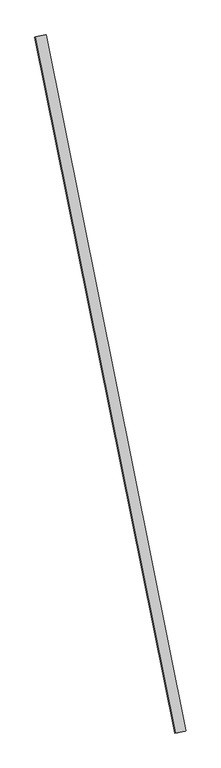
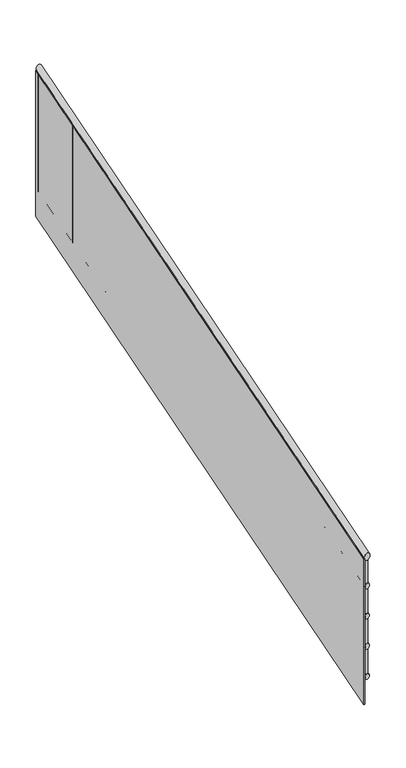
"""IFC4 building model written with IfcOpenShell, lengths in millimetres: railing geometry."""

from ifc_helpers import new_model, si_unit, frame, origin, place, context, project, spatial, ellipse_curve, faceted_brep, source, transform, mapped, element, save
from ifc_brep_helpers import plane_surface, cylinder_surface, advanced_brep


def railing_60d8dc0e(model_context):
    return source(origin(), model_context, "Body", "SolidModel", [
        advanced_brep(
        [(-68942.3278322, 19256.3704473, 1057.6911596), (-68981.5366656, 19248.4541735, 1057.6911596), (-69475.6104221, 21897.6874197, 2875.8729778), (-69514.8192554, 21889.771146, 2875.8729778)],
        [
            (0, 1, ellipse_curve(frame((-68961.9322489, 19252.4123104, 1057.6911596), z_axis=(0.19790684338259354, -0.9802208329465038, 0.0), x_axis=(0.0, 0.0, -1.0)), 24.1270222, 20.0)),
            (1, 0, ellipse_curve(frame((-68961.9322489, 19252.4123104, 1057.6911596), z_axis=(0.19790684338259354, -0.9802208329465038, 0.0), x_axis=(0.0, 0.0, -1.0)), 24.1270222, 20.0)),
            (2, 3, ellipse_curve(frame((-69495.2148387, 21893.7292829, 2875.8729778), z_axis=(-0.19790684338259354, 0.9802208329465038, 0.0), x_axis=(0.0, 0.0, -1.0)), 24.1270222, 20.0)),
            (3, 2, ellipse_curve(frame((-69495.2148387, 21893.7292829, 2875.8729778), z_axis=(-0.19790684338259354, 0.9802208329465038, 0.0), x_axis=(0.0, 0.0, -1.0)), 24.1270222, 20.0)),
            (0, 2),
            (3, 1),
        ],
        [
            plane_surface(frame((-68961.9322489, 19252.4123104, 1081.8181818), z_axis=(0.19790684338259354, -0.9802208329465038, 0.0), x_axis=(0.9802208329465038, 0.19790684338259354, 0.0))),
            plane_surface(frame((-69495.2148387, 21893.7292829, 2900.0), z_axis=(-0.19790684338259354, 0.9802208329465038, 0.0), x_axis=(0.9802208329465038, 0.19790684338259354, 0.0))),
            cylinder_surface(frame((-68964.1461479, 19263.3776204, 1065.2392606), z_axis=(0.16405409819250624, -0.8125501980124534, -0.5593285515474485), x_axis=(-0.9802208329465039, -0.19790684338259354, 0.0)), 20.0),
        ],
        [
            (0, [[1, 2]]),
            (1, [[3, 4]]),
            (2, [[-1, 5, -4, 6]]),
            (2, [[-2, -6, -3, -5]]),
        ],
    ),
        advanced_brep(
        [(-68947.2289364, 19255.3809131, 863.7229152), (-68976.6355614, 19249.4437078, 863.7229152), (-69480.5115262, 21896.6978855, 2681.9047334), (-69509.9181512, 21890.7606802, 2681.9047334)],
        [
            (0, 1, ellipse_curve(frame((-68961.9322489, 19252.4123104, 863.7229152), z_axis=(0.19790684338259354, -0.9802208329465038, 0.0), x_axis=(0.0, 0.0, -1.0)), 18.0952666, 15.0)),
            (1, 0, ellipse_curve(frame((-68961.9322489, 19252.4123104, 863.7229152), z_axis=(0.19790684338259354, -0.9802208329465038, 0.0), x_axis=(0.0, 0.0, -1.0)), 18.0952666, 15.0)),
            (2, 3, ellipse_curve(frame((-69495.2148387, 21893.7292829, 2681.9047334), z_axis=(-0.19790684338259354, 0.9802208329465038, 0.0), x_axis=(0.0, 0.0, -1.0)), 18.0952666, 15.0)),
            (3, 2, ellipse_curve(frame((-69495.2148387, 21893.7292829, 2681.9047334), z_axis=(-0.19790684338259354, 0.9802208329465038, 0.0), x_axis=(0.0, 0.0, -1.0)), 18.0952666, 15.0)),
            (0, 2),
            (3, 1),
        ],
        [
            plane_surface(frame((-68961.9322489, 19252.4123104, 881.8181818), z_axis=(0.19790684338259354, -0.9802208329465038, 0.0), x_axis=(0.9802208329465038, 0.19790684338259354, 0.0))),
            plane_surface(frame((-69495.2148387, 21893.7292829, 2700.0), z_axis=(-0.19790684338259354, 0.9802208329465038, 0.0), x_axis=(0.9802208329465038, 0.19790684338259354, 0.0))),
            cylinder_surface(frame((-68963.5926731, 19260.6362929, 869.3839909), z_axis=(0.16405409819250624, -0.8125501980124534, -0.5593285515474485), x_axis=(-0.9802208329465039, -0.19790684338259354, 0.0)), 15.0),
        ],
        [
            (0, [[1, 2]]),
            (1, [[3, 4]]),
            (2, [[-1, 5, -4, 6]]),
            (2, [[-2, -6, -3, -5]]),
        ],
    ),
        advanced_brep(
        [(-68947.2289364, 19255.3809131, 663.7229152), (-68976.6355614, 19249.4437078, 663.7229152), (-69480.5115262, 21896.6978855, 2481.9047334), (-69509.9181512, 21890.7606802, 2481.9047334)],
        [
            (0, 1, ellipse_curve(frame((-68961.9322489, 19252.4123104, 663.7229152), z_axis=(0.19790684338259354, -0.9802208329465038, 0.0), x_axis=(0.0, 0.0, -1.0)), 18.0952666, 15.0)),
            (1, 0, ellipse_curve(frame((-68961.9322489, 19252.4123104, 663.7229152), z_axis=(0.19790684338259354, -0.9802208329465038, 0.0), x_axis=(0.0, 0.0, -1.0)), 18.0952666, 15.0)),
            (2, 3, ellipse_curve(frame((-69495.2148387, 21893.7292829, 2481.9047334), z_axis=(-0.19790684338259354, 0.9802208329465038, 0.0), x_axis=(0.0, 0.0, -1.0)), 18.0952666, 15.0)),
            (3, 2, ellipse_curve(frame((-69495.2148387, 21893.7292829, 2481.9047334), z_axis=(-0.19790684338259354, 0.9802208329465038, 0.0), x_axis=(0.0, 0.0, -1.0)), 18.0952666, 15.0)),
            (0, 2),
            (3, 1),
        ],
        [
            plane_surface(frame((-68961.9322489, 19252.4123104, 681.8181818), z_axis=(0.19790684338259354, -0.9802208329465038, 0.0), x_axis=(0.9802208329465038, 0.19790684338259354, 0.0))),
            plane_surface(frame((-69495.2148387, 21893.7292829, 2500.0), z_axis=(-0.19790684338259354, 0.9802208329465038, 0.0), x_axis=(0.9802208329465038, 0.19790684338259354, 0.0))),
            cylinder_surface(frame((-68963.5926731, 19260.6362929, 669.3839909), z_axis=(0.16405409819250624, -0.8125501980124534, -0.5593285515474485), x_axis=(-0.9802208329465039, -0.19790684338259354, 0.0)), 15.0),
        ],
        [
            (0, [[1, 2]]),
            (1, [[3, 4]]),
            (2, [[-1, 5, -4, 6]]),
            (2, [[-2, -6, -3, -5]]),
        ],
    ),
        advanced_brep(
        [(-68947.2289364, 19255.3809131, 463.7229152), (-68976.6355614, 19249.4437078, 463.7229152), (-69480.5115262, 21896.6978855, 2281.9047334), (-69509.9181512, 21890.7606802, 2281.9047334)],
        [
            (0, 1, ellipse_curve(frame((-68961.9322489, 19252.4123104, 463.7229152), z_axis=(0.19790684338259354, -0.9802208329465038, 0.0), x_axis=(0.0, 0.0, -1.0)), 18.0952666, 15.0)),
            (1, 0, ellipse_curve(frame((-68961.9322489, 19252.4123104, 463.7229152), z_axis=(0.19790684338259354, -0.9802208329465038, 0.0), x_axis=(0.0, 0.0, -1.0)), 18.0952666, 15.0)),
            (2, 3, ellipse_curve(frame((-69495.2148387, 21893.7292829, 2281.9047334), z_axis=(-0.19790684338259354, 0.9802208329465038, 0.0), x_axis=(0.0, 0.0, -1.0)), 18.0952666, 15.0)),
            (3, 2, ellipse_curve(frame((-69495.2148387, 21893.7292829, 2281.9047334), z_axis=(-0.19790684338259354, 0.9802208329465038, 0.0), x_axis=(0.0, 0.0, -1.0)), 18.0952666, 15.0)),
            (0, 2),
            (3, 1),
        ],
        [
            plane_surface(frame((-68961.9322489, 19252.4123104, 481.8181818), z_axis=(0.19790684338259354, -0.9802208329465038, 0.0), x_axis=(0.9802208329465038, 0.19790684338259354, 0.0))),
            plane_surface(frame((-69495.2148387, 21893.7292829, 2300.0), z_axis=(-0.19790684338259354, 0.9802208329465038, 0.0), x_axis=(0.9802208329465038, 0.19790684338259354, 0.0))),
            cylinder_surface(frame((-68963.5926731, 19260.6362929, 469.3839909), z_axis=(0.16405409819250624, -0.8125501980124534, -0.5593285515474485), x_axis=(-0.9802208329465039, -0.19790684338259354, 0.0)), 15.0),
        ],
        [
            (0, [[1, 2]]),
            (1, [[3, 4]]),
            (2, [[-1, 5, -4, 6]]),
            (2, [[-2, -6, -3, -5]]),
        ],
    ),
        advanced_brep(
        [(-68947.2289364, 19255.3809131, 263.7229152), (-68976.6355614, 19249.4437078, 263.7229152), (-69480.5115262, 21896.6978855, 2081.9047334), (-69509.9181512, 21890.7606802, 2081.9047334)],
        [
            (0, 1, ellipse_curve(frame((-68961.9322489, 19252.4123104, 263.7229152), z_axis=(0.19790684338259354, -0.9802208329465038, 0.0), x_axis=(0.0, 0.0, -1.0)), 18.0952666, 15.0)),
            (1, 0, ellipse_curve(frame((-68961.9322489, 19252.4123104, 263.7229152), z_axis=(0.19790684338259354, -0.9802208329465038, 0.0), x_axis=(0.0, 0.0, -1.0)), 18.0952666, 15.0)),
            (2, 3, ellipse_curve(frame((-69495.2148387, 21893.7292829, 2081.9047334), z_axis=(-0.19790684338259354, 0.9802208329465038, 0.0), x_axis=(0.0, 0.0, -1.0)), 18.0952666, 15.0)),
            (3, 2, ellipse_curve(frame((-69495.2148387, 21893.7292829, 2081.9047334), z_axis=(-0.19790684338259354, 0.9802208329465038, 0.0), x_axis=(0.0, 0.0, -1.0)), 18.0952666, 15.0)),
            (0, 2),
            (3, 1),
        ],
        [
            plane_surface(frame((-68961.9322489, 19252.4123104, 281.8181818), z_axis=(0.19790684338259354, -0.9802208329465038, 0.0), x_axis=(0.9802208329465038, 0.19790684338259354, 0.0))),
            plane_surface(frame((-69495.2148387, 21893.7292829, 2100.0), z_axis=(-0.19790684338259354, 0.9802208329465038, 0.0), x_axis=(0.9802208329465038, 0.19790684338259354, 0.0))),
            cylinder_surface(frame((-68963.5926731, 19260.6362929, 269.3839909), z_axis=(0.16405409819250624, -0.8125501980124534, -0.5593285515474485), x_axis=(-0.9802208329465039, -0.19790684338259354, 0.0)), 15.0),
        ],
        [
            (0, [[1, 2]]),
            (1, [[3, 4]]),
            (2, [[-1, 5, -4, 6]]),
            (2, [[-2, -6, -3, -5]]),
        ],
    ),
        faceted_brep([(-68984.4773281, 19247.860453, 1051.8181818), (-68984.4773281, 19247.860453, 86.7372942), (-68978.5960031, 19249.0478941, 86.7372942), (-68978.5960031, 19249.0478941, 1051.8181818), (-69517.7599179, 21889.1774255, 2870.0), (-69511.8785929, 21890.3648665, 2870.0), (-69511.8785929, 21890.3648665, 1904.9191124), (-69517.7599179, 21889.1774255, 1904.9191124)], [[[0, 1, 2, 3]], [[4, 5, 6, 7]], [[1, 0, 4, 7]], [[2, 1, 7, 6]], [[3, 2, 6, 5]], [[0, 3, 5, 4]]]),
        advanced_brep(
        [(-69449.1614334, 21602.4684739, 2652.9560225), (-69424.6559126, 21607.416145, 2652.9560225), (-69424.6559126, 21607.416145, 1870.9796624), (-69449.1614334, 21602.4684739, 1870.9796624)],
        [
            (0, 1, ellipse_curve(frame((-69436.908673, 21604.9423095, 2652.9560225), z_axis=(-0.11069494805051305, 0.5482654986885991, -0.8289460606238722), x_axis=(-0.16405409819250616, 0.812550198012455, 0.559328551547446)), 15.0793889, 12.5)),
            (1, 2),
            (2, 3, ellipse_curve(frame((-69436.908673, 21604.9423095, 1870.9796624), z_axis=(0.11069494805051293, -0.5482654986885984, 0.8289460606238727), x_axis=(-0.16405409819250627, 0.8125501980124555, 0.5593285515474455)), 15.0793889, 12.5)),
            (3, 0),
            (3, 2, ellipse_curve(frame((-69436.908673, 21604.9423095, 1870.9796624), z_axis=(0.11069494805051293, -0.5482654986885984, 0.8289460606238727), x_axis=(-0.16405409819250627, 0.8125501980124555, 0.5593285515474455)), 15.0793889, 12.5)),
            (1, 0, ellipse_curve(frame((-69436.908673, 21604.9423095, 2652.9560225), z_axis=(-0.11069494805051305, 0.5482654986885991, -0.8289460606238722), x_axis=(-0.16405409819250616, 0.812550198012455, 0.559328551547446)), 15.0793889, 12.5)),
        ],
        [
            cylinder_surface(frame((-69436.908673, 21604.9423095, 1770.9796624), z_axis=(0.0, 0.0, 1.0000000000000002), x_axis=(0.980220832946504, 0.19790684338259312, 0.0)), 12.5),
            plane_surface(frame((-69417.3508233, 21634.3955014, 2669.8246879), z_axis=(0.11069494805051305, -0.5482654986885991, 0.8289460606238722), x_axis=(-0.980220832946504, -0.19790684338259312, 0.0))),
            plane_surface(frame((-69407.4554811, 21585.3844597, 1854.110997), z_axis=(-0.11069494805051293, 0.5482654986885984, -0.8289460606238727), x_axis=(-0.980220832946504, -0.19790684338259312, 0.0))),
        ],
        [
            (0, [[1, 2, 3, 4]]),
            (0, [[5, -2, 6, -4]]),
            (1, [[-6, -1]]),
            (2, [[-5, -3]]),
        ],
    ),
        advanced_brep(
        [(-69211.6732214, 20426.2034744, 1843.26008), (-69187.1677005, 20431.1511455, 1843.26008), (-69187.1677005, 20431.1511455, 1061.2837199), (-69211.6732214, 20426.2034744, 1061.2837199)],
        [
            (0, 1, ellipse_curve(frame((-69199.420461, 20428.6773099, 1843.26008), z_axis=(-0.11069494805051305, 0.5482654986885991, -0.8289460606238722), x_axis=(-0.16405409819250616, 0.812550198012455, 0.559328551547446)), 15.0793889, 12.5)),
            (1, 2),
            (2, 3, ellipse_curve(frame((-69199.420461, 20428.6773099, 1061.2837199), z_axis=(0.11069494805051293, -0.5482654986885984, 0.8289460606238727), x_axis=(-0.16405409819250627, 0.8125501980124555, 0.5593285515474455)), 15.0793889, 12.5)),
            (3, 0),
            (3, 2, ellipse_curve(frame((-69199.420461, 20428.6773099, 1061.2837199), z_axis=(0.11069494805051293, -0.5482654986885984, 0.8289460606238727), x_axis=(-0.16405409819250627, 0.8125501980124555, 0.5593285515474455)), 15.0793889, 12.5)),
            (1, 0, ellipse_curve(frame((-69199.420461, 20428.6773099, 1843.26008), z_axis=(-0.11069494805051305, 0.5482654986885991, -0.8289460606238722), x_axis=(-0.16405409819250616, 0.812550198012455, 0.559328551547446)), 15.0793889, 12.5)),
        ],
        [
            cylinder_surface(frame((-69199.420461, 20428.6773099, 961.2837199), z_axis=(0.0, 0.0, 1.0000000000000002), x_axis=(0.980220832946504, 0.19790684338259312, 0.0)), 12.5),
            plane_surface(frame((-69179.8626112, 20458.1305019, 1860.1287454), z_axis=(0.11069494805051305, -0.5482654986885991, 0.8289460606238722), x_axis=(-0.980220832946504, -0.19790684338259312, 0.0))),
            plane_surface(frame((-69169.967269, 20409.1194602, 1044.4150544), z_axis=(-0.11069494805051293, 0.5482654986885984, -0.8289460606238727), x_axis=(-0.980220832946504, -0.19790684338259312, 0.0))),
        ],
        [
            (0, [[1, 2, 3, 4]]),
            (0, [[5, -2, 6, -4]]),
            (1, [[-6, -1]]),
            (2, [[-5, -3]]),
        ],
    ),
        advanced_brep(
        [(-69504.9937636, 21879.0026869, 2843.3116229), (-69480.4882428, 21883.950358, 2843.3116229), (-69480.4882428, 21883.950358, 2061.3352628), (-69504.9937636, 21879.0026869, 2061.3352628)],
        [
            (0, 1, ellipse_curve(frame((-69492.7410032, 21881.4765225, 2843.3116229), z_axis=(-0.11069494805051305, 0.5482654986885991, -0.8289460606238722), x_axis=(-0.16405409819250616, 0.812550198012455, 0.559328551547446)), 15.0793889, 12.5)),
            (1, 2),
            (2, 3, ellipse_curve(frame((-69492.7410032, 21881.4765225, 2061.3352628), z_axis=(0.11069494805051293, -0.5482654986885984, 0.8289460606238727), x_axis=(-0.16405409819250627, 0.8125501980124555, 0.5593285515474455)), 15.0793889, 12.5)),
            (3, 0),
            (3, 2, ellipse_curve(frame((-69492.7410032, 21881.4765225, 2061.3352628), z_axis=(0.11069494805051293, -0.5482654986885984, 0.8289460606238727), x_axis=(-0.16405409819250627, 0.8125501980124555, 0.5593285515474455)), 15.0793889, 12.5)),
            (1, 0, ellipse_curve(frame((-69492.7410032, 21881.4765225, 2843.3116229), z_axis=(-0.11069494805051305, 0.5482654986885991, -0.8289460606238722), x_axis=(-0.16405409819250616, 0.812550198012455, 0.559328551547446)), 15.0793889, 12.5)),
        ],
        [
            cylinder_surface(frame((-69492.7410032, 21881.4765225, 1961.3352628), z_axis=(0.0, 0.0, 1.0000000000000002), x_axis=(0.980220832946504, 0.19790684338259312, 0.0)), 12.5),
            plane_surface(frame((-69473.1831534, 21910.9297144, 2860.1802884), z_axis=(0.11069494805051305, -0.5482654986885991, 0.8289460606238722), x_axis=(-0.980220832946504, -0.19790684338259312, 0.0))),
            plane_surface(frame((-69463.2878113, 21861.9186727, 2044.4665974), z_axis=(-0.11069494805051293, 0.5482654986885984, -0.8289460606238727), x_axis=(-0.980220832946504, -0.19790684338259312, 0.0))),
        ],
        [
            (0, [[1, 2, 3, 4]]),
            (0, [[5, -2, 6, -4]]),
            (1, [[-6, -1]]),
            (2, [[-5, -3]]),
        ],
    ),
        advanced_brep(
        [(-68976.6588449, 19262.1912353, 1041.9984702), (-68952.153324, 19267.1389064, 1041.9984702), (-68952.153324, 19267.1389064, 260.0221101), (-68976.6588449, 19262.1912353, 260.0221101)],
        [
            (0, 1, ellipse_curve(frame((-68964.4060844, 19264.6650708, 1041.9984702), z_axis=(-0.11069494805051305, 0.5482654986885991, -0.8289460606238722), x_axis=(-0.16405409819250616, 0.812550198012455, 0.559328551547446)), 15.0793889, 12.5)),
            (1, 2),
            (2, 3, ellipse_curve(frame((-68964.4060844, 19264.6650708, 260.0221101), z_axis=(0.11069494805051293, -0.5482654986885984, 0.8289460606238727), x_axis=(-0.16405409819250627, 0.8125501980124555, 0.5593285515474455)), 15.0793889, 12.5)),
            (3, 0),
            (3, 2, ellipse_curve(frame((-68964.4060844, 19264.6650708, 260.0221101), z_axis=(0.11069494805051293, -0.5482654986885984, 0.8289460606238727), x_axis=(-0.16405409819250627, 0.8125501980124555, 0.5593285515474455)), 15.0793889, 12.5)),
            (1, 0, ellipse_curve(frame((-68964.4060844, 19264.6650708, 1041.9984702), z_axis=(-0.11069494805051305, 0.5482654986885991, -0.8289460606238722), x_axis=(-0.16405409819250616, 0.812550198012455, 0.559328551547446)), 15.0793889, 12.5)),
        ],
        [
            cylinder_surface(frame((-68964.4060844, 19264.6650708, 160.0221101), z_axis=(0.0, 0.0, 1.0000000000000002), x_axis=(0.980220832946504, 0.19790684338259312, 0.0)), 12.5),
            plane_surface(frame((-68944.8482347, 19294.1182627, 1058.8671356), z_axis=(0.11069494805051305, -0.5482654986885991, 0.8289460606238722), x_axis=(-0.980220832946504, -0.19790684338259312, 0.0))),
            plane_surface(frame((-68934.9528925, 19245.1072211, 243.1534447), z_axis=(-0.11069494805051293, 0.5482654986885984, -0.8289460606238727), x_axis=(-0.980220832946504, -0.19790684338259312, 0.0))),
        ],
        [
            (0, [[1, 2, 3, 4]]),
            (0, [[5, -2, 6, -4]]),
            (1, [[-6, -1]]),
            (2, [[-5, -3]]),
        ],
    ),
    ])


if __name__ == "__main__":
    model = new_model("IFC4")
    model_context = context("Model", 3, world=origin())
    ifc_project = project(units=[si_unit("LENGTHUNIT", "METRE", prefix="MILLI")], contexts=[model_context])
    site = spatial("IfcSite", under=ifc_project)
    building = spatial("IfcBuilding", under=site)
    placement = place(None, origin())
    railing_shape = railing_60d8dc0e(model_context)
    element("IfcRailing", 1, at=placement, inside=building, context=model_context, shape_type="MappedRepresentation", body=[
        mapped(railing_shape, transform((0.0, 0.0, 0.0), x_axis=(1.0, 0.0, 0.0), y_axis=(0.0, 1.0, 0.0), z_axis=(0.0, 0.0, 1.0))),
    ])
    save(model, "model.ifc")
